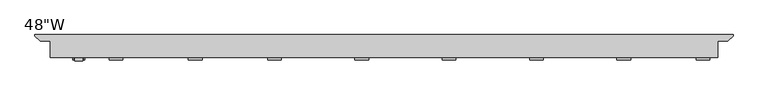
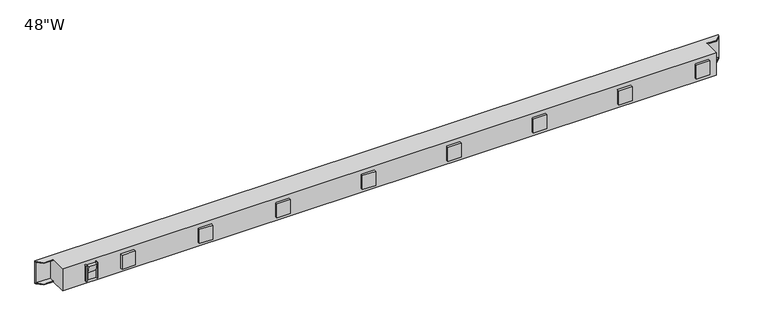
"""IFC4 building model written with IfcOpenShell, lengths in millimetres: furniture geometry."""

from ifc_helpers import new_model, si_unit, frame, origin, place, context, project, spatial, polyline, outline, extrude, faceted_brep, source, transform, mapped, element, save


def furniture_4cd2b04c(model_context):
    return source(origin(), model_context, "Body", "SolidModel", [
        extrude(outline(polyline([(-237.0523623, -25.3999985), (-238.6271623, -25.3999985), (-238.6271623, -20.6248), (-237.0523623, -20.6248), (-237.0523623, -25.3999985)])), frame((0.0, 0.0, 846.6632802), z_axis=(0.0, 0.0, 1.0), x_axis=(1.0, 0.0, 0.0)), (0.0, 0.0, 1.0), 29.5274991),
        extrude(outline(polyline([(-218.0023623, -25.3999985), (-219.5771623, -25.3999985), (-219.5771623, -20.6248), (-218.0023623, -20.6248), (-218.0023623, -25.3999985)])), frame((0.0, 0.0, 846.6632802), z_axis=(0.0, 0.0, 1.0), x_axis=(1.0, 0.0, 0.0)), (0.0, 0.0, 1.0), 29.5274991),
        extrude(outline(polyline([(-26.9859141, 874.5969299), (-20.6248, 874.5969299), (-20.6248, 848.2444301), (-23.8125, 848.2444301), (-23.8125, 861.9032797), (-26.9859141, 874.5969299)])), frame((-235.46486, 0.0, 0.0), z_axis=(1.0, 0.0, 0.0), x_axis=(0.0, 1.0, 0.0)), (0.0, 0.0, 1.0), 14.2875),
        faceted_brep([(-278.3273623, 7.9375004, 840.30058), (-295.7898615, 7.9375004, 840.30058), (-304.8, 16.8909999, 840.30058), (-304.8, 19.05, 840.30058), (913.384, 19.05, 840.30058), (913.384, 16.9022876, 840.30058), (904.360143, 7.9375004, 840.30058), (886.8976551, 7.9375004, 840.30058), (886.8976551, -20.6248, 840.30058), (-278.3273623, -20.6248, 840.30058), (-278.3273623, 7.9375004, 882.54078), (-278.3273623, -20.6248, 882.54078), (886.8976551, -20.6248, 882.54078), (886.8976551, 7.9375004, 882.54078), (904.360143, 7.9375004, 882.54078), (913.384, 16.9022876, 882.54078), (913.384, 19.05, 882.54078), (-304.8, 19.05, 882.54078), (-304.8, 16.8909999, 882.54078), (-295.7898615, 7.9375004, 882.54078), (-278.3273623, 7.9375004, 841.88808), (-295.7898615, 7.9375004, 841.88808), (-295.7898615, 7.9375004, 880.95328), (-278.3273623, 7.9375004, 880.95328), (-304.8, 16.8909999, 841.88808), (-304.8, 16.8909999, 880.95328), (913.384, 16.9022876, 880.95328), (913.384, 16.9022876, 841.88808), (904.360143, 7.9375004, 841.88808), (904.360143, 7.9375004, 880.95328), (886.8976551, 7.9375004, 841.88808), (886.8976551, 7.9375004, 880.95328), (886.8976551, 16.9022876, 841.88808), (886.8976551, 16.9022876, 880.95328), (-278.3273623, 16.9022876, 880.95328), (-278.3273623, 16.9022876, 841.88808)], [[[0, 1, 2, 3, 4, 5, 6, 7, 8, 9]], [[10, 11, 12, 13, 14, 15, 16, 17, 18, 19]], [[1, 0, 20, 21]], [[10, 19, 22, 23]], [[2, 1, 21, 24]], [[19, 18, 25, 22]], [[3, 2, 24, 25, 18, 17]], [[4, 3, 17, 16]], [[5, 4, 16, 15, 26, 27]], [[6, 5, 27, 28]], [[15, 14, 29, 26]], [[7, 6, 28, 30]], [[14, 13, 31, 29]], [[8, 7, 30, 32, 33, 31, 13, 12]], [[9, 8, 12, 11]], [[0, 9, 11, 10, 23, 34, 35, 20]], [[32, 30, 28, 27]], [[20, 35, 24, 21]], [[25, 34, 23, 22]], [[33, 26, 29, 31]], [[24, 35, 34, 25]], [[32, 27, 26, 33]]]),
        extrude(outline(polyline([(734.510337, -25.3999985), (710.697837, -25.3999985), (710.697837, -20.6248), (734.510337, -20.6248), (734.510337, -25.3999985)])), frame((0.0, 0.0, 848.2444301), z_axis=(0.0, 0.0, 1.0), x_axis=(1.0, 0.0, 0.0)), (0.0, 0.0, 1.0), 26.3524998),
        extrude(outline(polyline([(582.110337, -25.3999985), (558.297837, -25.3999985), (558.297837, -20.6248), (582.110337, -20.6248), (582.110337, -25.3999985)])), frame((0.0, 0.0, 848.2444301), z_axis=(0.0, 0.0, 1.0), x_axis=(1.0, 0.0, 0.0)), (0.0, 0.0, 1.0), 26.3524998),
        extrude(outline(polyline([(429.710337, -25.3999985), (405.897837, -25.3999985), (405.897837, -20.6248), (429.710337, -20.6248), (429.710337, -25.3999985)])), frame((0.0, 0.0, 848.2444301), z_axis=(0.0, 0.0, 1.0), x_axis=(1.0, 0.0, 0.0)), (0.0, 0.0, 1.0), 26.3524998),
        extrude(outline(polyline([(277.310337, -25.3999985), (253.497837, -25.3999985), (253.497837, -20.6248), (277.310337, -20.6248), (277.310337, -25.3999985)])), frame((0.0, 0.0, 848.2444301), z_axis=(0.0, 0.0, 1.0), x_axis=(1.0, 0.0, 0.0)), (0.0, 0.0, 1.0), 26.3524998),
        extrude(outline(polyline([(124.910337, -25.3999985), (101.097837, -25.3999985), (101.097837, -20.6248), (124.910337, -20.6248), (124.910337, -25.3999985)])), frame((0.0, 0.0, 848.2444301), z_axis=(0.0, 0.0, 1.0), x_axis=(1.0, 0.0, 0.0)), (0.0, 0.0, 1.0), 26.3524998),
        extrude(outline(polyline([(872.6101551, -25.3999985), (848.7976551, -25.3999985), (848.7976551, -20.6248), (872.6101551, -20.6248), (872.6101551, -25.3999985)])), frame((0.0, 0.0, 848.2444301), z_axis=(0.0, 0.0, 1.0), x_axis=(1.0, 0.0, 0.0)), (0.0, 0.0, 1.0), 26.3524998),
        extrude(outline(polyline([(-13.214863, -25.3999985), (-37.027363, -25.3999985), (-37.027363, -20.6248), (-13.214863, -20.6248), (-13.214863, -25.3999985)])), frame((0.0, 0.0, 848.2444301), z_axis=(0.0, 0.0, 1.0), x_axis=(1.0, 0.0, 0.0)), (0.0, 0.0, 1.0), 26.3524998),
        extrude(outline(polyline([(-151.327363, -25.3999985), (-175.139863, -25.3999985), (-175.139863, -20.6248), (-151.327363, -20.6248), (-151.327363, -25.3999985)])), frame((0.0, 0.0, 848.2444301), z_axis=(0.0, 0.0, 1.0), x_axis=(1.0, 0.0, 0.0)), (0.0, 0.0, 1.0), 26.3524998),
    ])


if __name__ == "__main__":
    model = new_model("IFC4")
    model_context = context("Model", 3, world=origin())
    ifc_project = project(units=[si_unit("LENGTHUNIT", "METRE", prefix="MILLI")], contexts=[model_context])
    site = spatial("IfcSite", under=ifc_project)
    building = spatial("IfcBuilding", under=site)
    placement = place(None, origin())
    furniture_shape = furniture_4cd2b04c(model_context)
    element("IfcFurniture", 1, ObjectType="48\"W", at=placement, inside=building, context=model_context, shape_type="MappedRepresentation", body=[
        mapped(furniture_shape, transform((0.0, 0.0, 0.0), x_axis=(1.0, 0.0, 0.0), y_axis=(0.0, 1.0, 0.0), z_axis=(0.0, 0.0, 1.0))),
    ])
    save(model, "model.ifc")
